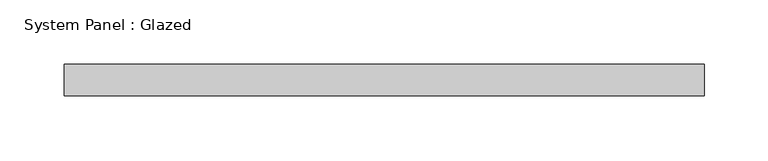
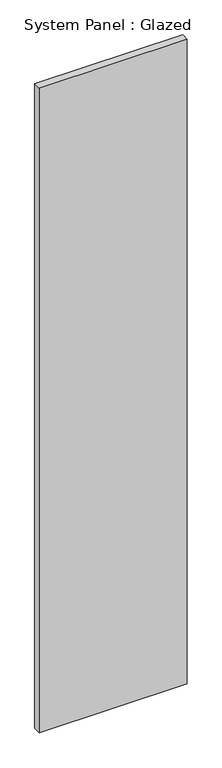
"""IFC4 building model written with IfcOpenShell, lengths in millimetres: plate geometry, System Panel : Glazed."""

from ifc_helpers import new_model, si_unit, origin, origin_with_axes, place, context, project, spatial, polyline, outline, extrude, source, transform, mapped, element, save


def system_panel_glazed_a2ab04c8(model_context):
    return source(origin(), model_context, "Body", "SweptSolid", [
        extrude(outline(polyline([(250.0, -49.5), (-250.0, -49.5), (-250.0, -24.5), (250.0, -24.5), (250.0, -49.5)])), origin_with_axes(), (0.0, 0.0, 1.0), 2300.0),
    ])


if __name__ == "__main__":
    model = new_model("IFC4")
    model_context = context("Model", 3, world=origin())
    ifc_project = project(units=[si_unit("LENGTHUNIT", "METRE", prefix="MILLI")], contexts=[model_context])
    site = spatial("IfcSite", under=ifc_project)
    building = spatial("IfcBuilding", under=site)
    placement = place(None, origin())
    system_panel_glazed_shape = system_panel_glazed_a2ab04c8(model_context)
    element("IfcPlate", 1, ObjectType="System Panel : Glazed", at=placement, inside=building, context=model_context, shape_type="MappedRepresentation", body=[
        mapped(system_panel_glazed_shape, transform((0.0, 0.0, 0.0), x_axis=(1.0, 0.0, 0.0), y_axis=(0.0, 1.0, 0.0), z_axis=(0.0, 0.0, 1.0))),
    ])
    save(model, "model.ifc")
